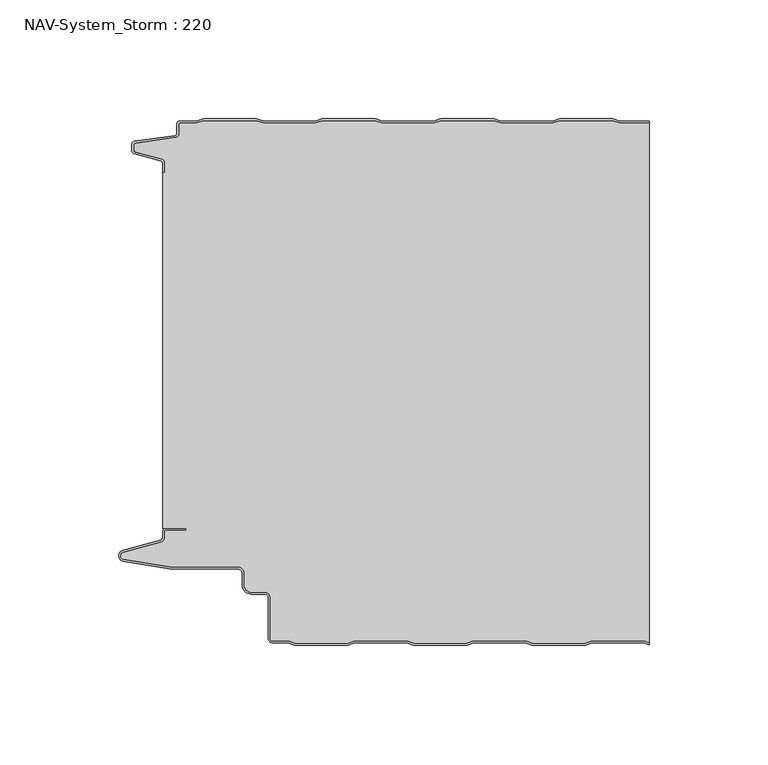
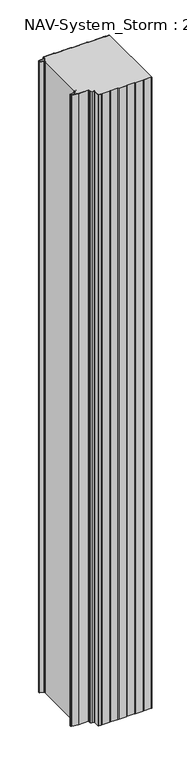
"""IFC4 building model written with IfcOpenShell, lengths in millimetres: plate geometry, NAV-System_Storm : 220."""

from ifc_helpers import new_model, si_unit, point, frame, frame_2d, origin, origin_with_axes, place, context, project, spatial, polyline, circle_curve, trimmed, segment, composite_curve, outline, extrude, source, transform, mapped, element, save
from ifc_brep_helpers import plane_surface, cylinder_surface, revolved_surface, advanced_brep


def nav_system_storm_220_f151159c(model_context):
    return source(origin(), model_context, "Body", "SolidModel", [
        extrude(outline(composite_curve([segment(polyline([(86.8684174, -0.8), (83.8684174, 0.2), (61.8684174, 0.2), (58.8684174, -0.8), (36.8684174, -0.8), (33.8684174, 0.2), (11.8684174, 0.2), (8.8684174, -0.8), (-13.1315826, -0.8), (-16.1315826, 0.2), (-38.1315826, 0.2), (-41.1315826, -0.8), (-63.1315826, -0.8), (-66.1315826, 0.2), (-88.1315826, 0.2), (-91.1315826, -0.8), (-98.2000153, -0.8)]), True, "CONTINUOUS"), segment(trimmed(circle_curve(frame_2d((-98.2000153, -1.3)), 0.5), [point((-98.2000153, -0.8))], [point((-98.7000153, -1.3))], True, "CARTESIAN"), True, "CONTINUOUS"), segment(polyline([(-98.7000153, -1.3), (-98.7000153, -5.3964683)]), True, "CONTINUOUS"), segment(trimmed(circle_curve(frame_2d((-100.2000153, -5.3964683)), 1.5), [point((-98.7000153, -5.3964683))], [point((-99.991136, -6.8818536))], False, "CARTESIAN"), True, "CONTINUOUS"), segment(polyline([(-99.991136, -6.8818536), (-116.9352336, -9.2645825)]), True, "CONTINUOUS"), segment(trimmed(circle_curve(frame_2d((-116.8115062, -10.1444347)), 0.8885091), [point((-116.9352336, -9.2645825))], [point((-117.7000153, -10.1444347))], True, "CARTESIAN"), True, "CONTINUOUS"), segment(polyline([(-117.7000153, -10.1444347), (-117.7000153, -12.46995)]), True, "CONTINUOUS"), segment(trimmed(circle_curve(frame_2d((-117.1000153, -12.46995)), 0.6), [point((-117.7000153, -12.46995))], [point((-117.2553067, -13.0495055))], True, "CARTESIAN"), True, "CONTINUOUS"), segment(polyline([(-117.2553067, -13.0495055), (-105.8785784, -16.0978907)]), True, "CONTINUOUS"), segment(trimmed(circle_curve(frame_2d((-106.266807, -17.5467794)), 1.5), [point((-105.8785784, -16.0978907))], [point((-104.766807, -17.5467794))], False, "CARTESIAN"), True, "CONTINUOUS"), segment(polyline([(-104.766807, -17.5467794), (-104.766807, -21.623446), (-105.566807, -21.623446), (-105.566807, -17.5467794)]), True, "CONTINUOUS"), segment(trimmed(circle_curve(frame_2d((-106.266807, -17.5467794)), 0.7), [point((-105.566807, -17.5467794))], [point((-106.0856337, -16.8706313))], True, "CARTESIAN"), True, "CONTINUOUS"), segment(polyline([(-106.0856337, -16.8706313), (-117.53648, -13.8023863)]), True, "CONTINUOUS"), segment(trimmed(circle_curve(frame_2d((-117.2000153, -12.5466827)), 1.3), [point((-117.53648, -13.8023863))], [point((-118.5000153, -12.5466827))], False, "CARTESIAN"), True, "CONTINUOUS"), segment(polyline([(-118.5000153, -12.5466827), (-118.5000153, -9.8067363)]), True, "CONTINUOUS"), segment(trimmed(circle_curve(frame_2d((-117.2000153, -9.8067363)), 1.3), [point((-118.5000153, -9.8067363))], [point((-117.3810439, -8.5194024))], False, "CARTESIAN"), True, "CONTINUOUS"), segment(polyline([(-117.3810439, -8.5194024), (-100.1025383, -6.0896481)]), True, "CONTINUOUS"), segment(trimmed(circle_curve(frame_2d((-100.2000153, -5.3964683)), 0.7), [point((-100.1025383, -6.0896481))], [point((-99.5000153, -5.3964683))], True, "CARTESIAN"), True, "CONTINUOUS"), segment(polyline([(-99.5000153, -5.3964683), (-99.5000153, -1.3)]), True, "CONTINUOUS"), segment(trimmed(circle_curve(frame_2d((-98.2000153, -1.3)), 1.3), [point((-99.5000153, -1.3))], [point((-98.2000153, 0.0))], False, "CARTESIAN"), True, "CONTINUOUS"), segment(polyline([(-98.2000153, 0.0), (-91.2614047, 0.0), (-88.2614047, 1.0), (-66.0017605, 1.0), (-63.0017605, 0.0), (-41.2614047, 0.0), (-38.2614047, 1.0), (-16.0017605, 1.0), (-13.0017605, 0.0), (8.7385953, 0.0), (11.7385953, 1.0), (33.9982395, 1.0), (36.9982395, 0.0), (58.7385953, 0.0), (61.7385953, 1.0), (83.9982395, 1.0), (86.9982395, 0.0), (99.5, 0.0), (99.5, -0.8), (86.8684174, -0.8)]), True, "CONTINUOUS")], self_intersect=False)), origin_with_axes(), (0.0, 0.0, 1.0), 2000.0),
        advanced_brep(
        [(86.8684327, -0.8, 2000.0), (83.8684327, 0.2, 2000.0), (61.8684327, 0.2, 2000.0), (58.8684327, -0.8, 2000.0), (36.8684327, -0.8, 2000.0), (33.8684327, 0.2, 2000.0), (11.8684327, 0.2, 2000.0), (8.8684327, -0.8, 2000.0), (-13.1315673, -0.8, 2000.0), (-16.1315673, 0.2, 2000.0), (-38.1315673, 0.2, 2000.0), (-41.1315673, -0.8, 2000.0), (-63.1315673, -0.8, 2000.0), (-66.1315673, 0.2, 2000.0), (-88.1315673, 0.2, 2000.0), (-91.1315673, -0.8, 2000.0), (-98.2, -0.8, 2000.0), (-98.7, -1.3, 2000.0), (-98.7, -5.3964683, 2000.0), (-99.9911207, -6.8818536, 2000.0), (-116.9352183, -9.2645825, 2000.0), (-117.7, -10.1444347, 2000.0), (-117.7, -12.46995, 2000.0), (-117.2552914, -13.0495055, 2000.0), (-105.8785632, -16.0978907, 2000.0), (-104.7667917, -17.5467794, 2000.0), (-104.7667917, -21.623446, 2000.0), (-105.5667917, -21.623446, 2000.0), (-105.5667917, -171.7763253, 2000.0), (-95.5330891, -171.7763253, 2000.0), (-95.5330891, -172.5763253, 2000.0), (-104.0330891, -172.5763253, 2000.0), (-104.7330891, -173.2763253, 2000.0), (-104.7330891, -175.8624192, 2000.0), (-105.9560377, -177.4561968, 2000.0), (-122.0574978, -181.8079393, 2000.0), (-121.9021816, -184.8341065, 2000.0), (-102.4332334, -188.0040626, 2000.0), (-73.9661198, -188.0040626, 2000.0), (-71.1661198, -190.806803, 2000.0), (-71.1661198, -195.5, 2000.0), (-67.9661198, -198.7, 2000.0), (-62.4661198, -198.7, 2000.0), (-60.1661198, -201.0, 2000.0), (-60.1661198, -218.2484002, 2000.0), (-59.2161211, -219.2, 2000.0), (-52.5977024, -219.2, 2000.0), (-49.5977024, -220.2, 2000.0), (-27.5977024, -220.2, 2000.0), (-24.5977024, -219.2, 2000.0), (-2.5977024, -219.2, 2000.0), (0.4022976, -220.2, 2000.0), (22.4022976, -220.2, 2000.0), (25.4022976, -219.2, 2000.0), (47.4022976, -219.2, 2000.0), (50.4022976, -220.2, 2000.0), (72.4022976, -220.2, 2000.0), (75.4022976, -219.2, 2000.0), (97.4022976, -219.2, 2000.0), (99.5, -219.8992341, 2000.0), (99.5, -0.8, 2000.0), (97.4022976, -219.2, 0.0), (75.4022976, -219.2, 0.0), (72.4022976, -220.2, 0.0), (50.4022976, -220.2, 0.0), (47.4022976, -219.2, 0.0), (25.4022976, -219.2, 0.0), (22.4022976, -220.2, 0.0), (0.4022976, -220.2, 0.0), (-2.5977024, -219.2, 0.0), (-24.5977024, -219.2, 0.0), (-27.5977024, -220.2, 0.0), (-49.5977024, -220.2, 0.0), (-52.5977024, -219.2, 0.0), (-59.2161211, -219.2, 0.0), (-60.1661198, -218.2484002, 0.0), (-60.1661198, -201.0, 0.0), (-62.4661198, -198.7, 0.0), (-67.9661198, -198.7, 0.0), (-71.1661198, -195.5, 0.0), (-71.1661198, -190.806803, 0.0), (-73.9661198, -188.006803, 0.0), (-102.4332334, -188.0040626, 0.0), (-121.9021816, -184.8341065, 0.0), (-122.0574978, -181.8079393, 0.0), (-105.9560377, -177.4561968, 0.0), (-104.7330891, -175.8624192, 0.0), (-104.7330891, -173.2763253, 0.0), (-104.0330891, -172.5763253, 0.0), (-95.5330891, -172.5763253, 0.0), (-95.5330891, -171.7763253, 0.0), (-105.5667917, -171.7763253, 0.0), (-105.5667917, -21.623446, 0.0), (-104.7667917, -21.623446, 0.0), (-104.7667917, -17.5467794, 0.0), (-105.8785632, -16.0978907, 0.0), (-117.2552914, -13.0495055, 0.0), (-117.7, -12.46995, 0.0), (-117.7, -10.1444347, 0.0), (-116.9352183, -9.2645825, 0.0), (-99.9911207, -6.8818536, 0.0), (-98.7, -5.3964683, 0.0), (-98.7, -1.3, 0.0), (-98.2, -0.8, 0.0), (-91.1315673, -0.8, 0.0), (-88.1315673, 0.2, 0.0), (-66.1315673, 0.2, 0.0), (-63.1315673, -0.8, 0.0), (-41.1315673, -0.8, 0.0), (-38.1315673, 0.2, 0.0), (-16.1315673, 0.2, 0.0), (-13.1315673, -0.8, 0.0), (8.8684327, -0.8, 0.0), (11.8684327, 0.2, 0.0), (33.8684327, 0.2, 0.0), (36.8684327, -0.8, 0.0), (58.8684327, -0.8, 0.0), (61.8684327, 0.2, 0.0), (83.8684327, 0.2, 0.0), (86.8684327, -0.8, 0.0), (99.5, -0.8, 0.0), (99.5, -219.8992341, 0.0)],
        [
            (0, 1),
            (1, 2),
            (2, 3),
            (3, 4),
            (4, 5),
            (5, 6),
            (6, 7),
            (7, 8),
            (8, 9),
            (9, 10),
            (10, 11),
            (11, 12),
            (12, 13),
            (13, 14),
            (14, 15),
            (15, 16),
            (16, 17, circle_curve(frame((-98.2, -1.3, 2000.0), z_axis=(0.0, 0.0, 1.0), x_axis=(1.0, 0.0, 0.0)), 0.5)),
            (17, 18),
            (18, 19, circle_curve(frame((-100.2, -5.3964683, 2000.0), z_axis=(0.0, 0.0, -1.0), x_axis=(1.0, 0.0, 0.0)), 1.5)),
            (19, 20),
            (20, 21, circle_curve(frame((-116.8114909, -10.1444347, 2000.0), z_axis=(0.0, 0.0, 1.0), x_axis=(1.0, 0.0, 0.0)), 0.8885091)),
            (21, 22),
            (22, 23, circle_curve(frame((-117.1, -12.46995, 2000.0), z_axis=(0.0, 0.0, 1.0), x_axis=(1.0, 0.0, 0.0)), 0.6)),
            (23, 24),
            (24, 25, circle_curve(frame((-106.2667917, -17.5467794, 2000.0), z_axis=(0.0, 0.0, -1.0), x_axis=(1.0, 0.0, 0.0)), 1.5)),
            (25, 26),
            (26, 27),
            (27, 28),
            (28, 29),
            (29, 30),
            (30, 31),
            (31, 32, circle_curve(frame((-104.0330891, -173.2763253, 2000.0), z_axis=(0.0, 0.0, 1.0), x_axis=(1.0, 0.0, 0.0)), 0.7)),
            (32, 33),
            (33, 34, circle_curve(frame((-106.3830891, -175.8624192, 2000.0), z_axis=(0.0, 0.0, -1.0), x_axis=(1.0, 0.0, 0.0)), 1.65)),
            (34, 35),
            (35, 36, circle_curve(frame((-121.6530891, -183.3042526, 2000.0), z_axis=(0.0, 0.0, 1.0), x_axis=(1.0, 0.0, 0.0)), 1.55)),
            (36, 37),
            (37, 38),
            (38, 39, circle_curve(frame((-73.9661198, -190.806803, 2000.0), z_axis=(0.0, 0.0, -1.0), x_axis=(1.0, 0.0, 0.0)), 2.8)),
            (39, 40),
            (40, 41, circle_curve(frame((-67.9661198, -195.5, 2000.0), z_axis=(0.0, 0.0, 1.0), x_axis=(1.0, 0.0, 0.0)), 3.2)),
            (41, 42),
            (42, 43, circle_curve(frame((-62.4661198, -201.0, 2000.0), z_axis=(0.0, 0.0, -1.0), x_axis=(1.0, 0.0, 0.0)), 2.3)),
            (43, 44),
            (44, 45, circle_curve(frame((-59.2161211, -218.25, 2000.0), z_axis=(0.0, 0.0, 1.0), x_axis=(1.0, 0.0, 0.0)), 0.95)),
            (45, 46),
            (46, 47),
            (47, 48),
            (48, 49),
            (49, 50),
            (50, 51),
            (51, 52),
            (52, 53),
            (53, 54),
            (54, 55),
            (55, 56),
            (56, 57),
            (57, 58),
            (58, 59),
            (59, 60),
            (60, 0),
            (61, 62),
            (62, 63),
            (63, 64),
            (64, 65),
            (65, 66),
            (66, 67),
            (67, 68),
            (68, 69),
            (69, 70),
            (70, 71),
            (71, 72),
            (72, 73),
            (73, 74),
            (74, 75, circle_curve(frame((-59.2161211, -218.25, 0.0), z_axis=(0.0, 0.0, -1.0), x_axis=(1.0, 0.0, 0.0)), 0.95)),
            (75, 76),
            (76, 77, circle_curve(frame((-62.4661198, -201.0, 0.0), z_axis=(0.0, 0.0, 1.0), x_axis=(1.0, 0.0, 0.0)), 2.3)),
            (77, 78),
            (78, 79, circle_curve(frame((-67.9661198, -195.5, 0.0), z_axis=(0.0, 0.0, -1.0), x_axis=(1.0, 0.0, 0.0)), 3.2)),
            (79, 80),
            (80, 81, circle_curve(frame((-73.9661198, -190.806803, 0.0), z_axis=(0.0, 0.0, 1.0), x_axis=(1.0, 0.0, 0.0)), 2.8)),
            (81, 82),
            (82, 83),
            (83, 84, circle_curve(frame((-121.6530891, -183.3042526, 0.0), z_axis=(0.0, 0.0, -1.0), x_axis=(1.0, 0.0, 0.0)), 1.55)),
            (84, 85),
            (85, 86, circle_curve(frame((-106.3830891, -175.8624192, 0.0), z_axis=(0.0, 0.0, 1.0), x_axis=(1.0, 0.0, 0.0)), 1.65)),
            (86, 87),
            (87, 88, circle_curve(frame((-104.0330891, -173.2763253, 0.0), z_axis=(0.0, 0.0, -1.0), x_axis=(1.0, 0.0, 0.0)), 0.7)),
            (88, 89),
            (89, 90),
            (90, 91),
            (91, 92),
            (92, 93),
            (93, 94),
            (94, 95, circle_curve(frame((-106.2667917, -17.5467794, 0.0), z_axis=(0.0, 0.0, 1.0), x_axis=(1.0, 0.0, 0.0)), 1.5)),
            (95, 96),
            (96, 97, circle_curve(frame((-117.1, -12.46995, 0.0), z_axis=(0.0, 0.0, -1.0), x_axis=(1.0, 0.0, 0.0)), 0.6)),
            (97, 98),
            (98, 99, circle_curve(frame((-116.8114909, -10.1444347, 0.0), z_axis=(0.0, 0.0, -1.0), x_axis=(1.0, 0.0, 0.0)), 0.8885091)),
            (99, 100),
            (100, 101, circle_curve(frame((-100.2, -5.3964683, 0.0), z_axis=(0.0, 0.0, 1.0), x_axis=(1.0, 0.0, 0.0)), 1.5)),
            (101, 102),
            (102, 103, circle_curve(frame((-98.2, -1.3, 0.0), z_axis=(0.0, 0.0, -1.0), x_axis=(1.0, 0.0, 0.0)), 0.5)),
            (103, 104),
            (104, 105),
            (105, 106),
            (106, 107),
            (107, 108),
            (108, 109),
            (109, 110),
            (110, 111),
            (111, 112),
            (112, 113),
            (113, 114),
            (114, 115),
            (115, 116),
            (116, 117),
            (117, 118),
            (118, 119),
            (119, 120),
            (120, 121),
            (121, 61),
            (119, 0),
            (60, 120),
            (118, 1),
            (117, 2),
            (116, 3),
            (115, 4),
            (114, 5),
            (113, 6),
            (112, 7),
            (111, 8),
            (110, 9),
            (109, 10),
            (108, 11),
            (107, 12),
            (106, 13),
            (105, 14),
            (104, 15),
            (103, 16),
            (102, 17),
            (101, 18),
            (100, 19),
            (99, 20),
            (98, 21),
            (97, 22),
            (96, 23),
            (95, 24),
            (94, 25),
            (93, 26),
            (92, 27),
            (91, 28),
            (90, 29),
            (89, 30),
            (88, 31),
            (87, 32),
            (86, 33),
            (85, 34),
            (84, 35),
            (83, 36),
            (82, 37),
            (81, 38),
            (80, 39),
            (79, 40),
            (78, 41),
            (77, 42),
            (76, 43),
            (75, 44),
            (74, 45),
            (73, 46),
            (72, 47),
            (71, 48),
            (70, 49),
            (69, 50),
            (68, 51),
            (67, 52),
            (66, 53),
            (65, 54),
            (64, 55),
            (63, 56),
            (62, 57),
            (61, 58),
            (121, 59),
        ],
        [
            plane_surface(frame((-99.5, 0.0, 2000.0), z_axis=(0.0, 0.0, 1.0), x_axis=(0.0, -1.0, 0.0))),
            plane_surface(frame((-99.5, 0.0, 0.0), z_axis=(0.0, 0.0, -1.0), x_axis=(0.0, -1.0, 0.0))),
            plane_surface(frame((108.8684327, -0.8, 2000.0), z_axis=(0.0, 1.0, 0.0), x_axis=(0.0, 0.0, -1.0))),
            plane_surface(frame((86.8684327, -0.8, 2000.0), z_axis=(0.3162277660167034, 0.9486832980505586, 0.0), x_axis=(0.0, 0.0, -1.0))),
            plane_surface(frame((83.8684327, 0.2, 2000.0), z_axis=(0.0, 1.0, 0.0), x_axis=(0.0, 0.0, -1.0))),
            plane_surface(frame((61.8684327, 0.2, 2000.0), z_axis=(-0.3162277660167478, 0.948683298050544, 0.0), x_axis=(0.0, 0.0, -1.0))),
            plane_surface(frame((58.8684327, -0.8, 2000.0), z_axis=(0.0, 1.0, 0.0), x_axis=(0.0, 0.0, -1.0))),
            plane_surface(frame((36.8684327, -0.8, 2000.0), z_axis=(0.3162277660167612, 0.9486832980505394, 0.0), x_axis=(0.0, 0.0, -1.0))),
            plane_surface(frame((33.8684327, 0.2, 2000.0), z_axis=(0.0, 1.0, 0.0), x_axis=(0.0, 0.0, -1.0))),
            plane_surface(frame((11.8684327, 0.2, 2000.0), z_axis=(-0.3162277660168056, 0.9486832980505246, 0.0), x_axis=(0.0, 0.0, -1.0))),
            plane_surface(frame((8.8684327, -0.8, 2000.0), z_axis=(0.0, 1.0, 0.0), x_axis=(0.0, 0.0, -1.0))),
            plane_surface(frame((-13.1315673, -0.8, 2000.0), z_axis=(0.3162277660167548, 0.9486832980505415, 0.0), x_axis=(0.0, 0.0, -1.0))),
            plane_surface(frame((-16.1315673, 0.2, 2000.0), z_axis=(0.0, 1.0, 0.0), x_axis=(0.0, 0.0, -1.0))),
            plane_surface(frame((-38.1315673, 0.2, 2000.0), z_axis=(-0.31622776601682484, 0.9486832980505183, 0.0), x_axis=(0.0, 0.0, -1.0))),
            plane_surface(frame((-41.1315673, -0.8, 2000.0), z_axis=(0.0, 1.0, 0.0), x_axis=(0.0, 0.0, -1.0))),
            plane_surface(frame((-63.1315673, -0.8, 2000.0), z_axis=(0.3162277660167034, 0.9486832980505586, 0.0), x_axis=(0.0, 0.0, -1.0))),
            plane_surface(frame((-66.1315673, 0.2, 2000.0), z_axis=(0.0, 1.0, 0.0), x_axis=(0.0, 0.0, -1.0))),
            plane_surface(frame((-88.1315673, 0.2, 2000.0), z_axis=(-0.31622776601670927, 0.9486832980505567, 0.0), x_axis=(0.0, 0.0, -1.0))),
            plane_surface(frame((-91.1315673, -0.8, 2000.0), z_axis=(0.0, 1.0, 0.0), x_axis=(0.0, 0.0, -1.0))),
            cylinder_surface(frame((-98.2, -1.3, 2000.0), z_axis=(0.0, 0.0, 1.0), x_axis=(1.0, 0.0, 0.0)), 0.5),
            plane_surface(frame((-98.7, -1.3, 2000.0), z_axis=(-1.0, 0.0, 0.0), x_axis=(0.0, 0.0, -1.0))),
            revolved_surface(polyline([(-98.7, -5.3964683, 0.0), (-98.7, -5.3964683, 2000.0)]), (-100.2, -5.3964683, 2000.0), (0.0, 0.0, -1.0)),
            plane_surface(frame((-99.9911207, -6.8818536, 2000.0), z_axis=(-0.13925283650469739, 0.9902568593680107, 0.0), x_axis=(0.0, 0.0, -1.0))),
            cylinder_surface(frame((-116.8114909, -10.1444347, 2000.0), z_axis=(0.0, 0.0, 1.0), x_axis=(1.0, 0.0, 0.0)), 0.8885091),
            plane_surface(frame((-117.7, -10.1444347, 2000.0), z_axis=(-1.0, 0.0, 0.0), x_axis=(0.0, 0.0, -1.0))),
            cylinder_surface(frame((-117.1, -12.46995, 2000.0), z_axis=(0.0, 0.0, 1.0), x_axis=(1.0, 0.0, 0.0)), 0.6),
            plane_surface(frame((-117.2552914, -13.0495055, 2000.0), z_axis=(-0.2588190451027143, -0.9659258262890165, 0.0), x_axis=(0.0, 0.0, -1.0))),
            revolved_surface(polyline([(-104.7667917, -17.5467794, 0.0), (-104.7667917, -17.5467794, 2000.0)]), (-106.2667917, -17.5467794, 2000.0), (0.0, 0.0, -1.0)),
            plane_surface(frame((-104.7667917, -17.5467794, 2000.0), z_axis=(-1.0, 0.0, 0.0), x_axis=(0.0, 0.0, -1.0))),
            plane_surface(frame((-104.7667917, -21.623446, 2000.0), z_axis=(0.0, 1.0, 0.0), x_axis=(0.0, 0.0, -1.0))),
            plane_surface(frame((-105.5667917, -21.623446, 2000.0), z_axis=(-1.0, 0.0, 0.0), x_axis=(0.0, 0.0, -1.0))),
            plane_surface(frame((-105.5667917, -171.7763253, 2000.0), z_axis=(0.0, -1.0, 0.0), x_axis=(0.0, 0.0, -1.0))),
            plane_surface(frame((-95.5330891, -171.7763253, 2000.0), z_axis=(-1.0, 0.0, 0.0), x_axis=(0.0, 0.0, -1.0))),
            plane_surface(frame((-95.5330891, -172.5763253, 2000.0), z_axis=(0.0, 1.0, 0.0), x_axis=(0.0, 0.0, -1.0))),
            cylinder_surface(frame((-104.0330891, -173.2763253, 2000.0), z_axis=(0.0, 0.0, 1.0), x_axis=(1.0, 0.0, 0.0)), 0.7),
            plane_surface(frame((-104.7330891, -173.2763253, 2000.0), z_axis=(-1.0, 0.0, 0.0), x_axis=(0.0, 0.0, -1.0))),
            revolved_surface(polyline([(-104.7330891, -175.8624192, 0.0), (-104.7330891, -175.8624192, 2000.0)]), (-106.3830891, -175.8624192, 2000.0), (0.0, 0.0, -1.0)),
            plane_surface(frame((-105.9560377, -177.4561968, 2000.0), z_axis=(-0.2609088270168501, 0.9653634465757918, 0.0), x_axis=(0.0, 0.0, -1.0))),
            cylinder_surface(frame((-121.6530891, -183.3042526, 2000.0), z_axis=(0.0, 0.0, 1.0), x_axis=(1.0, 0.0, 0.0)), 1.55),
            plane_surface(frame((-121.9021816, -184.8341065, 2000.0), z_axis=(-0.16070486280353136, -0.9870025061119643, 0.0), x_axis=(0.0, 0.0, -1.0))),
            plane_surface(frame((-102.4332334, -188.0040626, 2000.0), z_axis=(0.0, -1.0, 0.0), x_axis=(0.0, 0.0, -1.0))),
            revolved_surface(polyline([(-71.1661198, -190.806803, 0.0), (-71.1661198, -190.806803, 2000.0)]), (-73.9661198, -190.806803, 2000.0), (0.0, 0.0, -1.0)),
            plane_surface(frame((-71.1661198, -190.806803, 2000.0), z_axis=(-1.0, 0.0, 0.0), x_axis=(0.0, 0.0, -1.0))),
            cylinder_surface(frame((-67.9661198, -195.5, 2000.0), z_axis=(0.0, 0.0, 1.0), x_axis=(1.0, 0.0, 0.0)), 3.2),
            plane_surface(frame((-67.9661198, -198.7, 2000.0), z_axis=(0.0, -1.0, 0.0), x_axis=(0.0, 0.0, -1.0))),
            revolved_surface(polyline([(-60.166119800000004, -201.0, 0.0), (-60.166119800000004, -201.0, 2000.0)]), (-62.4661198, -201.0, 2000.0), (0.0, 0.0, -1.0)),
            plane_surface(frame((-60.1661198, -201.0, 2000.0), z_axis=(-1.0, 0.0, 0.0), x_axis=(0.0, 0.0, -1.0))),
            cylinder_surface(frame((-59.2161211, -218.25, 2000.0), z_axis=(0.0, 0.0, 1.0), x_axis=(1.0, 0.0, 0.0)), 0.95),
            plane_surface(frame((-59.2161211, -219.2, 2000.0), z_axis=(0.0, -1.0, 0.0), x_axis=(0.0, 0.0, -1.0))),
            plane_surface(frame((-52.5977024, -219.2, 2000.0), z_axis=(-0.3162277660167031, -0.9486832980505587, 0.0), x_axis=(0.0, 0.0, -1.0))),
            plane_surface(frame((-49.5977024, -220.2, 2000.0), z_axis=(0.0, -1.0, 0.0), x_axis=(0.0, 0.0, -1.0))),
            plane_surface(frame((-27.5977024, -220.2, 2000.0), z_axis=(0.31622776601667746, -0.9486832980505674, 0.0), x_axis=(0.0, 0.0, -1.0))),
            plane_surface(frame((-24.5977024, -219.2, 2000.0), z_axis=(0.0, -1.0, 0.0), x_axis=(0.0, 0.0, -1.0))),
            plane_surface(frame((-2.5977024, -219.2, 2000.0), z_axis=(-0.31622776601683794, -0.9486832980505139, 0.0), x_axis=(0.0, 0.0, -1.0))),
            plane_surface(frame((0.4022976, -220.2, 2000.0), z_axis=(0.0, -1.0, 0.0), x_axis=(0.0, 0.0, -1.0))),
            plane_surface(frame((22.4022976, -220.2, 2000.0), z_axis=(0.31622776601674163, -0.948683298050546, 0.0), x_axis=(0.0, 0.0, -1.0))),
            plane_surface(frame((25.4022976, -219.2, 2000.0), z_axis=(0.0, -1.0, 0.0), x_axis=(0.0, 0.0, -1.0))),
            plane_surface(frame((47.4022976, -219.2, 2000.0), z_axis=(-0.3162277660168251, -0.9486832980505182, 0.0), x_axis=(0.0, 0.0, -1.0))),
            plane_surface(frame((50.4022976, -220.2, 2000.0), z_axis=(0.0, -1.0, 0.0), x_axis=(0.0, 0.0, -1.0))),
            plane_surface(frame((72.4022976, -220.2, 2000.0), z_axis=(0.31622776601674163, -0.948683298050546, 0.0), x_axis=(0.0, 0.0, -1.0))),
            plane_surface(frame((75.4022976, -219.2, 2000.0), z_axis=(0.0, -1.0, 0.0), x_axis=(0.0, 0.0, -1.0))),
            plane_surface(frame((97.4022976, -219.2, 2000.0), z_axis=(-0.31622776601677377, -0.9486832980505353, 0.0), x_axis=(0.0, 0.0, -1.0))),
            plane_surface(frame((99.5, 100.0, 2000.0), z_axis=(1.0, 0.0, 0.0), x_axis=(0.0, 0.0, -1.0))),
        ],
        [
            (0, [[1, 2, 3, 4, 5, 6, 7, 8, 9, 10, 11, 12, 13, 14, 15, 16, 17, 18, 19, 20, 21, 22, 23, 24, 25, 26, 27, 28, 29, 30, 31, 32, 33, 34, 35, 36, 37, 38, 39, 40, 41, 42, 43, 44, 45, 46, 47, 48, 49, 50, 51, 52, 53, 54, 55, 56, 57, 58, 59, 60, 61]]),
            (1, [[62, 63, 64, 65, 66, 67, 68, 69, 70, 71, 72, 73, 74, 75, 76, 77, 78, 79, 80, 81, 82, 83, 84, 85, 86, 87, 88, 89, 90, 91, 92, 93, 94, 95, 96, 97, 98, 99, 100, 101, 102, 103, 104, 105, 106, 107, 108, 109, 110, 111, 112, 113, 114, 115, 116, 117, 118, 119, 120, 121, 122]]),
            (2, [[123, -61, 124, -120]]),
            (3, [[-1, -123, -119, 125]]),
            (4, [[-2, -125, -118, 126]]),
            (5, [[-3, -126, -117, 127]]),
            (6, [[-4, -127, -116, 128]]),
            (7, [[-5, -128, -115, 129]]),
            (8, [[-6, -129, -114, 130]]),
            (9, [[-7, -130, -113, 131]]),
            (10, [[-8, -131, -112, 132]]),
            (11, [[-9, -132, -111, 133]]),
            (12, [[-10, -133, -110, 134]]),
            (13, [[-11, -134, -109, 135]]),
            (14, [[-12, -135, -108, 136]]),
            (15, [[-13, -136, -107, 137]]),
            (16, [[-14, -137, -106, 138]]),
            (17, [[-15, -138, -105, 139]]),
            (18, [[-16, -139, -104, 140]]),
            (19, [[-17, -140, -103, 141]]),
            (20, [[-18, -141, -102, 142]]),
            (21, [[-19, -142, -101, 143]]),
            (22, [[-20, -143, -100, 144]]),
            (23, [[-21, -144, -99, 145]]),
            (24, [[-22, -145, -98, 146]]),
            (25, [[-23, -146, -97, 147]]),
            (26, [[-24, -147, -96, 148]]),
            (27, [[-25, -148, -95, 149]]),
            (28, [[-26, -149, -94, 150]]),
            (29, [[-27, -150, -93, 151]]),
            (30, [[-28, -151, -92, 152]]),
            (31, [[-29, -152, -91, 153]]),
            (32, [[-30, -153, -90, 154]]),
            (33, [[-31, -154, -89, 155]]),
            (34, [[-32, -155, -88, 156]]),
            (35, [[-33, -156, -87, 157]]),
            (36, [[-34, -157, -86, 158]]),
            (37, [[-35, -158, -85, 159]]),
            (38, [[-36, -159, -84, 160]]),
            (39, [[-37, -160, -83, 161]]),
            (40, [[-38, -161, -82, 162]]),
            (41, [[-39, -162, -81, 163]]),
            (42, [[-40, -163, -80, 164]]),
            (43, [[-41, -164, -79, 165]]),
            (44, [[-42, -165, -78, 166]]),
            (45, [[-43, -166, -77, 167]]),
            (46, [[-44, -167, -76, 168]]),
            (47, [[-45, -168, -75, 169]]),
            (48, [[-46, -169, -74, 170]]),
            (49, [[-47, -170, -73, 171]]),
            (50, [[-48, -171, -72, 172]]),
            (51, [[-49, -172, -71, 173]]),
            (52, [[-50, -173, -70, 174]]),
            (53, [[-51, -174, -69, 175]]),
            (54, [[-52, -175, -68, 176]]),
            (55, [[-53, -176, -67, 177]]),
            (56, [[-54, -177, -66, 178]]),
            (57, [[-55, -178, -65, 179]]),
            (58, [[-56, -179, -64, 180]]),
            (59, [[-57, -180, -63, 181]]),
            (60, [[-58, -181, -62, 182]]),
            (61, [[-182, -122, 183, -59]]),
            (62, [[-60, -183, -121, -124]]),
        ],
    ),
        advanced_brep(
        [(97.3684174, -219.2, 2000.0), (75.3684174, -219.2, 2000.0), (72.3684174, -220.2, 2000.0), (50.3684174, -220.2, 2000.0), (47.3684174, -219.2, 2000.0), (25.3684174, -219.2, 2000.0), (22.3684174, -220.2, 2000.0), (0.3684174, -220.2, 2000.0), (-2.6315826, -219.2, 2000.0), (-24.6315826, -219.2, 2000.0), (-27.6315826, -220.2, 2000.0), (-49.6315826, -220.2, 2000.0), (-52.6315826, -219.2, 2000.0), (-59.2500013, -219.2, 2000.0), (-60.2, -218.2484002, 2000.0), (-60.2, -201.0, 2000.0), (-62.5, -198.7, 2000.0), (-68.0, -198.7, 2000.0), (-71.2, -195.5, 2000.0), (-71.2, -190.806803, 2000.0), (-74.0, -188.006803, 2000.0), (-102.4671136, -188.0040626, 2000.0), (-121.9360619, -184.8341065, 2000.0), (-122.091378, -181.8079393, 2000.0), (-105.9899179, -177.4561968, 2000.0), (-104.7669693, -175.8624192, 2000.0), (-104.7669693, -173.2763253, 2000.0), (-104.0669693, -172.5763253, 2000.0), (-95.5669693, -172.5763253, 2000.0), (-95.5669693, -171.7763253, 2000.0), (-104.0669693, -171.7763253, 2000.0), (-105.5669693, -173.2763253, 2000.0), (-105.5669693, -175.9006976, 2000.0), (-106.1582424, -176.6729884, 2000.0), (-122.3001048, -181.0356484, 2000.0), (-122.0646249, -185.6237086, 2000.0), (-102.4341193, -188.806803, 2000.0), (-74.0, -188.806803, 2000.0), (-72.0, -190.806803, 2000.0), (-72.0, -195.5, 2000.0), (-68.0, -199.5, 2000.0), (-62.5, -199.5, 2000.0), (-61.0, -201.0, 2000.0), (-61.0, -218.2478286, 2000.0), (-59.2500013, -220.0, 2000.0), (-52.7614047, -220.0, 2000.0), (-49.7614047, -221.0, 2000.0), (-27.5017605, -221.0, 2000.0), (-24.5017605, -220.0, 2000.0), (-2.7614047, -220.0, 2000.0), (0.2385953, -221.0, 2000.0), (22.4982395, -221.0, 2000.0), (25.4982395, -220.0, 2000.0), (47.2385953, -220.0, 2000.0), (50.2385953, -221.0, 2000.0), (72.4982395, -221.0, 2000.0), (75.4982395, -220.0, 2000.0), (97.2385953, -220.0, 2000.0), (99.5, -220.7538016, 2000.0), (99.5, -219.9105275, 2000.0), (97.2385953, -220.0, 0.0), (75.4982395, -220.0, 0.0), (72.4982395, -221.0, 0.0), (50.2385953, -221.0, 0.0), (47.2385953, -220.0, 0.0), (25.4982395, -220.0, 0.0), (22.4982395, -221.0, 0.0), (0.2385953, -221.0, 0.0), (-2.7614047, -220.0, 0.0), (-24.5017605, -220.0, 0.0), (-27.5017605, -221.0, 0.0), (-49.7614047, -221.0, 0.0), (-52.7614047, -220.0, 0.0), (-59.2500013, -220.0, 0.0), (-61.0, -218.2478286, 0.0), (-61.0, -201.0, 0.0), (-62.5, -199.5, 0.0), (-68.0, -199.5, 0.0), (-72.0, -195.5, 0.0), (-72.0, -190.806803, 0.0), (-74.0, -188.806803, 0.0), (-102.4341193, -188.806803, 0.0), (-122.0646249, -185.6237086, 0.0), (-122.3001048, -181.0356484, 0.0), (-106.1582424, -176.6729884, 0.0), (-105.5669693, -175.9006976, 0.0), (-105.5669693, -173.2763253, 0.0), (-104.0669693, -171.7763253, 0.0), (-95.5669693, -171.7763253, 0.0), (-95.5669693, -172.5763253, 0.0), (-104.0669693, -172.5763253, 0.0), (-104.7669693, -173.2763253, 0.0), (-104.7669693, -175.8624192, 0.0), (-105.9899179, -177.4561968, 0.0), (-122.091378, -181.8079393, 0.0), (-121.9360619, -184.8341065, 0.0), (-102.4671136, -188.0040626, 0.0), (-74.0, -188.0040626, 0.0), (-71.2, -190.806803, 0.0), (-71.2, -195.5, 0.0), (-68.0, -198.7, 0.0), (-62.5, -198.7, 0.0), (-60.2, -201.0, 0.0), (-60.2, -218.2484002, 0.0), (-59.2500013, -219.2, 0.0), (-52.6315826, -219.2, 0.0), (-49.6315826, -220.2, 0.0), (-27.6315826, -220.2, 0.0), (-24.6315826, -219.2, 0.0), (-2.6315826, -219.2, 0.0), (0.3684174, -220.2, 0.0), (22.3684174, -220.2, 0.0), (25.3684174, -219.2, 0.0), (47.3684174, -219.2, 0.0), (50.3684174, -220.2, 0.0), (72.3684174, -220.2, 0.0), (75.3684174, -219.2, 0.0), (97.3684174, -219.2, 0.0), (99.5, -219.9105275, 0.0), (99.5, -220.7538016, 0.0)],
        [
            (0, 1),
            (1, 2),
            (2, 3),
            (3, 4),
            (4, 5),
            (5, 6),
            (6, 7),
            (7, 8),
            (8, 9),
            (9, 10),
            (10, 11),
            (11, 12),
            (12, 13),
            (13, 14, circle_curve(frame((-59.2500013, -218.25, 2000.0), z_axis=(0.0, 0.0, -1.0), x_axis=(1.0, 0.0, 0.0)), 0.95)),
            (14, 15),
            (15, 16, circle_curve(frame((-62.5, -201.0, 2000.0), z_axis=(0.0, 0.0, 1.0), x_axis=(1.0, 0.0, 0.0)), 2.3)),
            (16, 17),
            (17, 18, circle_curve(frame((-68.0, -195.5, 2000.0), z_axis=(0.0, 0.0, -1.0), x_axis=(1.0, 0.0, 0.0)), 3.2)),
            (18, 19),
            (19, 20, circle_curve(frame((-74.0, -190.806803, 2000.0), z_axis=(0.0, 0.0, 1.0), x_axis=(1.0, 0.0, 0.0)), 2.8)),
            (20, 21),
            (21, 22),
            (22, 23, circle_curve(frame((-121.6869693, -183.3042526, 2000.0), z_axis=(0.0, 0.0, -1.0), x_axis=(1.0, 0.0, 0.0)), 1.55)),
            (23, 24),
            (24, 25, circle_curve(frame((-106.4169693, -175.8624192, 2000.0), z_axis=(0.0, 0.0, 1.0), x_axis=(1.0, 0.0, 0.0)), 1.65)),
            (25, 26),
            (26, 27, circle_curve(frame((-104.0669693, -173.2763253, 2000.0), z_axis=(0.0, 0.0, -1.0), x_axis=(1.0, 0.0, 0.0)), 0.7)),
            (27, 28),
            (28, 29),
            (29, 30),
            (30, 31, circle_curve(frame((-104.0669693, -173.2763253, 2000.0), z_axis=(0.0, 0.0, 1.0), x_axis=(1.0, 0.0, 0.0)), 1.5)),
            (31, 32),
            (32, 33, circle_curve(frame((-106.3669693, -175.9006976, 2000.0), z_axis=(0.0, 0.0, -1.0), x_axis=(1.0, 0.0, 0.0)), 0.8)),
            (33, 34),
            (34, 35, circle_curve(frame((-121.6869693, -183.3042526, 2000.0), z_axis=(0.0, 0.0, 1.0), x_axis=(1.0, 0.0, 0.0)), 2.35)),
            (35, 36),
            (36, 37),
            (37, 38, circle_curve(frame((-74.0, -190.806803, 2000.0), z_axis=(0.0, 0.0, -1.0), x_axis=(1.0, 0.0, 0.0)), 2.0)),
            (38, 39),
            (39, 40, circle_curve(frame((-68.0, -195.5, 2000.0), z_axis=(0.0, 0.0, 1.0), x_axis=(1.0, 0.0, 0.0)), 4.0)),
            (40, 41),
            (41, 42, circle_curve(frame((-62.5, -201.0, 2000.0), z_axis=(0.0, 0.0, -1.0), x_axis=(1.0, 0.0, 0.0)), 1.5)),
            (42, 43),
            (43, 44, circle_curve(frame((-59.2500013, -218.25, 2000.0), z_axis=(0.0, 0.0, 1.0), x_axis=(1.0, 0.0, 0.0)), 1.75)),
            (44, 45),
            (45, 46),
            (46, 47),
            (47, 48),
            (48, 49),
            (49, 50),
            (50, 51),
            (51, 52),
            (52, 53),
            (53, 54),
            (54, 55),
            (55, 56),
            (56, 57),
            (57, 58),
            (58, 59),
            (59, 0),
            (60, 61),
            (61, 62),
            (62, 63),
            (63, 64),
            (64, 65),
            (65, 66),
            (66, 67),
            (67, 68),
            (68, 69),
            (69, 70),
            (70, 71),
            (71, 72),
            (72, 73),
            (73, 74, circle_curve(frame((-59.2500013, -218.25, 0.0), z_axis=(0.0, 0.0, -1.0), x_axis=(1.0, 0.0, 0.0)), 1.75)),
            (74, 75),
            (75, 76, circle_curve(frame((-62.5, -201.0, 0.0), z_axis=(0.0, 0.0, 1.0), x_axis=(1.0, 0.0, 0.0)), 1.5)),
            (76, 77),
            (77, 78, circle_curve(frame((-68.0, -195.5, 0.0), z_axis=(0.0, 0.0, -1.0), x_axis=(1.0, 0.0, 0.0)), 4.0)),
            (78, 79),
            (79, 80, circle_curve(frame((-74.0, -190.806803, 0.0), z_axis=(0.0, 0.0, 1.0), x_axis=(1.0, 0.0, 0.0)), 2.0)),
            (80, 81),
            (81, 82),
            (82, 83, circle_curve(frame((-121.6869693, -183.3042526, 0.0), z_axis=(0.0, 0.0, -1.0), x_axis=(1.0, 0.0, 0.0)), 2.35)),
            (83, 84),
            (84, 85, circle_curve(frame((-106.3669693, -175.9006976, 0.0), z_axis=(0.0, 0.0, 1.0), x_axis=(1.0, 0.0, 0.0)), 0.8)),
            (85, 86),
            (86, 87, circle_curve(frame((-104.0669693, -173.2763253, 0.0), z_axis=(0.0, 0.0, -1.0), x_axis=(1.0, 0.0, 0.0)), 1.5)),
            (87, 88),
            (88, 89),
            (89, 90),
            (90, 91, circle_curve(frame((-104.0669693, -173.2763253, 0.0), z_axis=(0.0, 0.0, 1.0), x_axis=(1.0, 0.0, 0.0)), 0.7)),
            (91, 92),
            (92, 93, circle_curve(frame((-106.4169693, -175.8624192, 0.0), z_axis=(0.0, 0.0, -1.0), x_axis=(1.0, 0.0, 0.0)), 1.65)),
            (93, 94),
            (94, 95, circle_curve(frame((-121.6869693, -183.3042526, 0.0), z_axis=(0.0, 0.0, 1.0), x_axis=(1.0, 0.0, 0.0)), 1.55)),
            (95, 96),
            (96, 97),
            (97, 98, circle_curve(frame((-74.0, -190.806803, 0.0), z_axis=(0.0, 0.0, -1.0), x_axis=(1.0, 0.0, 0.0)), 2.8)),
            (98, 99),
            (99, 100, circle_curve(frame((-68.0, -195.5, 0.0), z_axis=(0.0, 0.0, 1.0), x_axis=(1.0, 0.0, 0.0)), 3.2)),
            (100, 101),
            (101, 102, circle_curve(frame((-62.5, -201.0, 0.0), z_axis=(0.0, 0.0, -1.0), x_axis=(1.0, 0.0, 0.0)), 2.3)),
            (102, 103),
            (103, 104, circle_curve(frame((-59.2500013, -218.25, 0.0), z_axis=(0.0, 0.0, 1.0), x_axis=(1.0, 0.0, 0.0)), 0.95)),
            (104, 105),
            (105, 106),
            (106, 107),
            (107, 108),
            (108, 109),
            (109, 110),
            (110, 111),
            (111, 112),
            (112, 113),
            (113, 114),
            (114, 115),
            (115, 116),
            (116, 117),
            (117, 118),
            (118, 119),
            (119, 60),
            (44, 73),
            (72, 45),
            (71, 46),
            (70, 47),
            (69, 48),
            (68, 49),
            (67, 50),
            (66, 51),
            (65, 52),
            (64, 53),
            (63, 54),
            (62, 55),
            (61, 56),
            (60, 57),
            (119, 58),
            (117, 0),
            (59, 118),
            (116, 1),
            (115, 2),
            (114, 3),
            (113, 4),
            (112, 5),
            (111, 6),
            (110, 7),
            (109, 8),
            (108, 9),
            (107, 10),
            (106, 11),
            (105, 12),
            (104, 13),
            (103, 14),
            (102, 15),
            (101, 16),
            (100, 17),
            (99, 18),
            (98, 19),
            (97, 20),
            (96, 21),
            (95, 22),
            (94, 23),
            (93, 24),
            (92, 25),
            (91, 26),
            (90, 27),
            (89, 28),
            (88, 29),
            (87, 30),
            (86, 31),
            (85, 32),
            (84, 33),
            (83, 34),
            (82, 35),
            (81, 36),
            (80, 37),
            (79, 38),
            (78, 39),
            (77, 40),
            (76, 41),
            (75, 42),
            (74, 43),
        ],
        [
            plane_surface(frame((-99.5, -220.0, 2000.0), z_axis=(0.0, 0.0, 1.0), x_axis=(-1.0, 0.0, 0.0))),
            plane_surface(frame((-99.5, -220.0, 0.0), z_axis=(0.0, 0.0, -1.0), x_axis=(-1.0, 0.0, 0.0))),
            plane_surface(frame((-59.2500013, -220.0, 2000.0), z_axis=(0.0, -1.0, 0.0), x_axis=(0.0, 0.0, -1.0))),
            plane_surface(frame((-52.7614047, -220.0, 2000.0), z_axis=(-0.3162277660167412, -0.9486832980505461, 0.0), x_axis=(0.0, 0.0, -1.0))),
            plane_surface(frame((-49.7614047, -221.0, 2000.0), z_axis=(0.0, -1.0, 0.0), x_axis=(0.0, 0.0, -1.0))),
            plane_surface(frame((-27.5017605, -221.0, 2000.0), z_axis=(0.3162277660167414, -0.9486832980505461, 0.0), x_axis=(0.0, 0.0, -1.0))),
            plane_surface(frame((-24.5017605, -220.0, 2000.0), z_axis=(0.0, -1.0, 0.0), x_axis=(0.0, 0.0, -1.0))),
            plane_surface(frame((-2.7614047, -220.0, 2000.0), z_axis=(-0.3162277660168044, -0.948683298050525, 0.0), x_axis=(0.0, 0.0, -1.0))),
            plane_surface(frame((0.2385953, -221.0, 2000.0), z_axis=(0.0, -1.0, 0.0), x_axis=(0.0, 0.0, -1.0))),
            plane_surface(frame((22.4982395, -221.0, 2000.0), z_axis=(0.31622776601679237, -0.9486832980505291, 0.0), x_axis=(0.0, 0.0, -1.0))),
            plane_surface(frame((25.4982395, -220.0, 2000.0), z_axis=(0.0, -1.0, 0.0), x_axis=(0.0, 0.0, -1.0))),
            plane_surface(frame((47.2385953, -220.0, 2000.0), z_axis=(-0.3162277660168044, -0.948683298050525, 0.0), x_axis=(0.0, 0.0, -1.0))),
            plane_surface(frame((50.2385953, -221.0, 2000.0), z_axis=(0.0, -1.0, 0.0), x_axis=(0.0, 0.0, -1.0))),
            plane_surface(frame((72.4982395, -221.0, 2000.0), z_axis=(0.31622776601679237, -0.9486832980505291, 0.0), x_axis=(0.0, 0.0, -1.0))),
            plane_surface(frame((75.4982395, -220.0, 2000.0), z_axis=(0.0, -1.0, 0.0), x_axis=(0.0, 0.0, -1.0))),
            plane_surface(frame((97.2385953, -220.0, 2000.0), z_axis=(-0.31622776601675345, -0.948683298050542, 0.0), x_axis=(0.0, 0.0, -1.0))),
            plane_surface(frame((100.3684174, -220.2, 2000.0), z_axis=(0.3162277660167308, 0.9486832980505495, 0.0), x_axis=(0.0, 0.0, -1.0))),
            plane_surface(frame((97.3684174, -219.2, 2000.0), z_axis=(0.0, 1.0, 0.0), x_axis=(0.0, 0.0, -1.0))),
            plane_surface(frame((75.3684174, -219.2, 2000.0), z_axis=(-0.3162277660167753, 0.9486832980505348, 0.0), x_axis=(0.0, 0.0, -1.0))),
            plane_surface(frame((72.3684174, -220.2, 2000.0), z_axis=(0.0, 1.0, 0.0), x_axis=(0.0, 0.0, -1.0))),
            plane_surface(frame((50.3684174, -220.2, 2000.0), z_axis=(0.3162277660167874, 0.9486832980505308, 0.0), x_axis=(0.0, 0.0, -1.0))),
            plane_surface(frame((47.3684174, -219.2, 2000.0), z_axis=(0.0, 1.0, 0.0), x_axis=(0.0, 0.0, -1.0))),
            plane_surface(frame((25.3684174, -219.2, 2000.0), z_axis=(-0.3162277660167753, 0.9486832980505348, 0.0), x_axis=(0.0, 0.0, -1.0))),
            plane_surface(frame((22.3684174, -220.2, 2000.0), z_axis=(0.0, 1.0, 0.0), x_axis=(0.0, 0.0, -1.0))),
            plane_surface(frame((0.3684174, -220.2, 2000.0), z_axis=(0.3162277660167874, 0.9486832980505308, 0.0), x_axis=(0.0, 0.0, -1.0))),
            plane_surface(frame((-2.6315826, -219.2, 2000.0), z_axis=(0.0, 1.0, 0.0), x_axis=(0.0, 0.0, -1.0))),
            plane_surface(frame((-24.6315826, -219.2, 2000.0), z_axis=(-0.31622776601671876, 0.9486832980505536, 0.0), x_axis=(0.0, 0.0, -1.0))),
            plane_surface(frame((-27.6315826, -220.2, 2000.0), z_axis=(0.0, 1.0, 0.0), x_axis=(0.0, 0.0, -1.0))),
            plane_surface(frame((-49.6315826, -220.2, 2000.0), z_axis=(0.31622776601671854, 0.9486832980505536, 0.0), x_axis=(0.0, 0.0, -1.0))),
            plane_surface(frame((-52.6315826, -219.2, 2000.0), z_axis=(0.0, 1.0, 0.0), x_axis=(0.0, 0.0, -1.0))),
            revolved_surface(polyline([(-58.3000013, -218.25, 0.0), (-58.3000013, -218.25, 2000.0)]), (-59.2500013, -218.25, 2000.0), (0.0, 0.0, -1.0)),
            plane_surface(frame((-60.2, -218.2484002, 2000.0), z_axis=(1.0, 0.0, 0.0), x_axis=(0.0, 0.0, -1.0))),
            cylinder_surface(frame((-62.5, -201.0, 2000.0), z_axis=(0.0, 0.0, 1.0), x_axis=(1.0, 0.0, 0.0)), 2.3),
            plane_surface(frame((-62.5, -198.7, 2000.0), z_axis=(0.0, 1.0, 0.0), x_axis=(0.0, 0.0, -1.0))),
            revolved_surface(polyline([(-64.8, -195.5, 0.0), (-64.8, -195.5, 2000.0)]), (-68.0, -195.5, 2000.0), (0.0, 0.0, -1.0)),
            plane_surface(frame((-71.2, -195.5, 2000.0), z_axis=(1.0, 0.0, 0.0), x_axis=(0.0, 0.0, -1.0))),
            cylinder_surface(frame((-74.0, -190.806803, 2000.0), z_axis=(0.0, 0.0, 1.0), x_axis=(1.0, 0.0, 0.0)), 2.8),
            plane_surface(frame((-74.0, -188.0040626, 2000.0), z_axis=(0.0, 1.0, 0.0), x_axis=(0.0, 0.0, -1.0))),
            plane_surface(frame((-102.4671136, -188.0040626, 2000.0), z_axis=(0.16070486280342547, 0.9870025061119816, 0.0), x_axis=(0.0, 0.0, -1.0))),
            revolved_surface(polyline([(-120.1369693, -183.3042526, 0.0), (-120.1369693, -183.3042526, 2000.0)]), (-121.6869693, -183.3042526, 2000.0), (0.0, 0.0, -1.0)),
            plane_surface(frame((-122.091378, -181.8079393, 2000.0), z_axis=(0.2609088270169608, -0.9653634465757618, 0.0), x_axis=(0.0, 0.0, -1.0))),
            cylinder_surface(frame((-106.4169693, -175.8624192, 2000.0), z_axis=(0.0, 0.0, 1.0), x_axis=(1.0, 0.0, 0.0)), 1.65),
            plane_surface(frame((-104.7669693, -175.8624192, 2000.0), z_axis=(1.0, 0.0, 0.0), x_axis=(0.0, 0.0, -1.0))),
            revolved_surface(polyline([(-103.3669693, -173.2763253, 0.0), (-103.3669693, -173.2763253, 2000.0)]), (-104.0669693, -173.2763253, 2000.0), (0.0, 0.0, -1.0)),
            plane_surface(frame((-104.0669693, -172.5763253, 2000.0), z_axis=(0.0, -1.0, 0.0), x_axis=(0.0, 0.0, -1.0))),
            plane_surface(frame((-95.5669693, -172.5763253, 2000.0), z_axis=(1.0, 0.0, 0.0), x_axis=(0.0, 0.0, -1.0))),
            plane_surface(frame((-95.5669693, -171.7763253, 2000.0), z_axis=(0.0, 1.0, 0.0), x_axis=(0.0, 0.0, -1.0))),
            cylinder_surface(frame((-104.0669693, -173.2763253, 2000.0), z_axis=(0.0, 0.0, 1.0), x_axis=(1.0, 0.0, 0.0)), 1.5),
            plane_surface(frame((-105.5669693, -173.2763253, 2000.0), z_axis=(-1.0, 0.0, 0.0), x_axis=(0.0, 0.0, -1.0))),
            revolved_surface(polyline([(-105.5669693, -175.9006976, 0.0), (-105.5669693, -175.9006976, 2000.0)]), (-106.3669693, -175.9006976, 2000.0), (0.0, 0.0, -1.0)),
            plane_surface(frame((-106.1582424, -176.6729884, 2000.0), z_axis=(-0.26090871859979187, 0.965363475877669, 0.0), x_axis=(0.0, 0.0, -1.0))),
            cylinder_surface(frame((-121.6869693, -183.3042526, 2000.0), z_axis=(0.0, 0.0, 1.0), x_axis=(1.0, 0.0, 0.0)), 2.35),
            plane_surface(frame((-122.0646249, -185.6237086, 2000.0), z_axis=(-0.16005984548186533, -0.9871073122332351, 0.0), x_axis=(0.0, 0.0, -1.0))),
            plane_surface(frame((-102.4341193, -188.806803, 2000.0), z_axis=(0.0, -1.0, 0.0), x_axis=(0.0, 0.0, -1.0))),
            revolved_surface(polyline([(-72.0, -190.806803, 0.0), (-72.0, -190.806803, 2000.0)]), (-74.0, -190.806803, 2000.0), (0.0, 0.0, -1.0)),
            plane_surface(frame((-72.0, -190.806803, 2000.0), z_axis=(-1.0, 0.0, 0.0), x_axis=(0.0, 0.0, -1.0))),
            cylinder_surface(frame((-68.0, -195.5, 2000.0), z_axis=(0.0, 0.0, 1.0), x_axis=(1.0, 0.0, 0.0)), 4.0),
            plane_surface(frame((-68.0, -199.5, 2000.0), z_axis=(0.0, -1.0, 0.0), x_axis=(0.0, 0.0, -1.0))),
            revolved_surface(polyline([(-61.0, -201.0, 0.0), (-61.0, -201.0, 2000.0)]), (-62.5, -201.0, 2000.0), (0.0, 0.0, -1.0)),
            plane_surface(frame((-61.0, -201.0, 2000.0), z_axis=(-1.0, 0.0, 0.0), x_axis=(0.0, 0.0, -1.0))),
            cylinder_surface(frame((-59.2500013, -218.25, 2000.0), z_axis=(0.0, 0.0, 1.0), x_axis=(1.0, 0.0, 0.0)), 1.75),
            plane_surface(frame((99.5, 100.0, 2000.0), z_axis=(1.0, 0.0, 0.0), x_axis=(0.0, 0.0, -1.0))),
        ],
        [
            (0, [[1, 2, 3, 4, 5, 6, 7, 8, 9, 10, 11, 12, 13, 14, 15, 16, 17, 18, 19, 20, 21, 22, 23, 24, 25, 26, 27, 28, 29, 30, 31, 32, 33, 34, 35, 36, 37, 38, 39, 40, 41, 42, 43, 44, 45, 46, 47, 48, 49, 50, 51, 52, 53, 54, 55, 56, 57, 58, 59, 60]]),
            (1, [[61, 62, 63, 64, 65, 66, 67, 68, 69, 70, 71, 72, 73, 74, 75, 76, 77, 78, 79, 80, 81, 82, 83, 84, 85, 86, 87, 88, 89, 90, 91, 92, 93, 94, 95, 96, 97, 98, 99, 100, 101, 102, 103, 104, 105, 106, 107, 108, 109, 110, 111, 112, 113, 114, 115, 116, 117, 118, 119, 120]]),
            (2, [[-45, 121, -73, 122]]),
            (3, [[-46, -122, -72, 123]]),
            (4, [[-47, -123, -71, 124]]),
            (5, [[-48, -124, -70, 125]]),
            (6, [[-49, -125, -69, 126]]),
            (7, [[-50, -126, -68, 127]]),
            (8, [[-51, -127, -67, 128]]),
            (9, [[-52, -128, -66, 129]]),
            (10, [[-53, -129, -65, 130]]),
            (11, [[-54, -130, -64, 131]]),
            (12, [[-55, -131, -63, 132]]),
            (13, [[-56, -132, -62, 133]]),
            (14, [[-57, -133, -61, 134]]),
            (15, [[-134, -120, 135, -58]]),
            (16, [[136, -60, 137, -118]]),
            (17, [[-1, -136, -117, 138]]),
            (18, [[-2, -138, -116, 139]]),
            (19, [[-3, -139, -115, 140]]),
            (20, [[-4, -140, -114, 141]]),
            (21, [[-5, -141, -113, 142]]),
            (22, [[-6, -142, -112, 143]]),
            (23, [[-7, -143, -111, 144]]),
            (24, [[-8, -144, -110, 145]]),
            (25, [[-9, -145, -109, 146]]),
            (26, [[-10, -146, -108, 147]]),
            (27, [[-11, -147, -107, 148]]),
            (28, [[-12, -148, -106, 149]]),
            (29, [[-13, -149, -105, 150]]),
            (30, [[-14, -150, -104, 151]]),
            (31, [[-15, -151, -103, 152]]),
            (32, [[-16, -152, -102, 153]]),
            (33, [[-17, -153, -101, 154]]),
            (34, [[-18, -154, -100, 155]]),
            (35, [[-19, -155, -99, 156]]),
            (36, [[-20, -156, -98, 157]]),
            (37, [[-21, -157, -97, 158]]),
            (38, [[-22, -158, -96, 159]]),
            (39, [[-23, -159, -95, 160]]),
            (40, [[-24, -160, -94, 161]]),
            (41, [[-25, -161, -93, 162]]),
            (42, [[-26, -162, -92, 163]]),
            (43, [[-27, -163, -91, 164]]),
            (44, [[-28, -164, -90, 165]]),
            (45, [[-29, -165, -89, 166]]),
            (46, [[-30, -166, -88, 167]]),
            (47, [[-31, -167, -87, 168]]),
            (48, [[-32, -168, -86, 169]]),
            (49, [[-33, -169, -85, 170]]),
            (50, [[-34, -170, -84, 171]]),
            (51, [[-35, -171, -83, 172]]),
            (52, [[-36, -172, -82, 173]]),
            (53, [[-37, -173, -81, 174]]),
            (54, [[-38, -174, -80, 175]]),
            (55, [[-39, -175, -79, 176]]),
            (56, [[-40, -176, -78, 177]]),
            (57, [[-41, -177, -77, 178]]),
            (58, [[-42, -178, -76, 179]]),
            (59, [[-43, -179, -75, 180]]),
            (60, [[-44, -180, -74, -121]]),
            (61, [[-59, -135, -119, -137]]),
        ],
    ),
    ])


if __name__ == "__main__":
    model = new_model("IFC4")
    model_context = context("Model", 3, world=origin())
    ifc_project = project(units=[si_unit("LENGTHUNIT", "METRE", prefix="MILLI")], contexts=[model_context])
    site = spatial("IfcSite", under=ifc_project)
    building = spatial("IfcBuilding", under=site)
    placement = place(None, origin())
    nav_system_storm_220_shape = nav_system_storm_220_f151159c(model_context)
    element("IfcPlate", 1, ObjectType="NAV-System_Storm : 220", at=placement, inside=building, context=model_context, shape_type="MappedRepresentation", body=[
        mapped(nav_system_storm_220_shape, transform((0.0, 0.0, 0.0), x_axis=(1.0, 0.0, 0.0), y_axis=(0.0, 1.0, 0.0), z_axis=(0.0, 0.0, 1.0))),
    ])
    save(model, "model.ifc")
